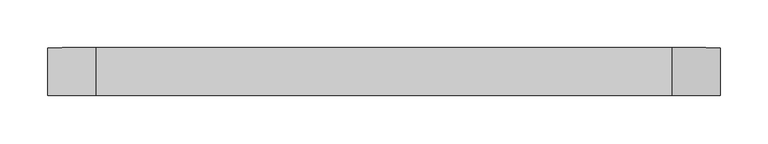
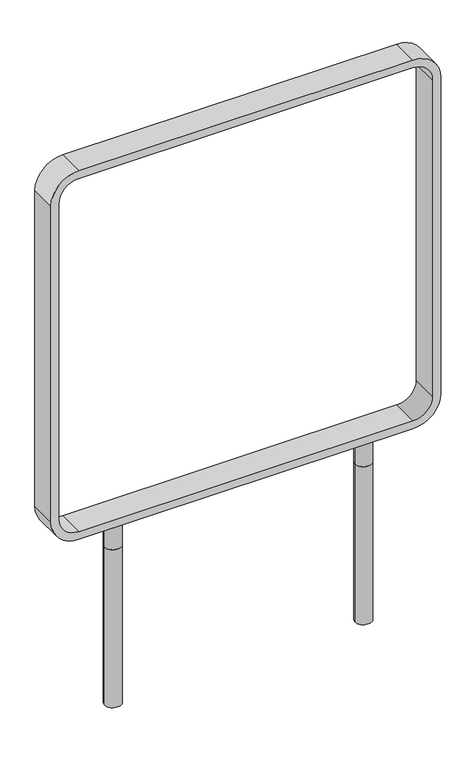
"""IFC4 building model written with IfcOpenShell, lengths in millimetres: furniture geometry."""

from ifc_helpers import new_model, si_unit, point, frame, frame_2d, origin, origin_with_axes, place, context, project, spatial, polyline, circle_curve, trimmed, segment, composite_curve, outline, extrude, source, transform, mapped, element, save


def furniture_32734ba0(model_context):
    return source(origin(), model_context, "Body", "SweptSolid", [
        extrude(outline(composite_curve([segment(trimmed(circle_curve(frame_2d((-224.9530049, -0.2871979)), 15.0), [point((-239.9530049, -0.2871979))], [point((-209.9530049, -0.2871979))], False, "CARTESIAN"), True, "CONTINUOUS"), segment(trimmed(circle_curve(frame_2d((-224.9530049, -0.2871979)), 15.0), [point((-209.9530049, -0.2871979))], [point((-239.9530049, -0.2871979))], False, "CARTESIAN"), True, "CONTINUOUS")], self_intersect=False)), origin_with_axes(), (0.0, 0.0, 1.0), 50.0),
        extrude(outline(composite_curve([segment(trimmed(circle_curve(frame_2d((224.9530049, -0.2871979)), 15.0), [point((239.9530049, -0.2871979))], [point((209.9530049, -0.2871979))], False, "CARTESIAN"), True, "CONTINUOUS"), segment(trimmed(circle_curve(frame_2d((224.9530049, -0.2871979)), 15.0), [point((209.9530049, -0.2871979))], [point((239.9530049, -0.2871979))], False, "CARTESIAN"), True, "CONTINUOUS")], self_intersect=False)), origin_with_axes(), (0.0, 0.0, 1.0), 50.0),
        extrude(outline(composite_curve([segment(trimmed(circle_curve(frame_2d((100.0094259, -300.0262979)), 50.0), [point((100.0094259, -350.0262979))], [point((50.0094259, -300.0262979))], False, "CARTESIAN"), True, "CONTINUOUS"), segment(polyline([(50.0094259, -300.0262979), (50.0094259, 300.0262979)]), True, "CONTINUOUS"), segment(trimmed(circle_curve(frame_2d((100.0094259, 300.0262979)), 50.0), [point((50.0094259, 300.0262979))], [point((100.0094259, 350.0262979))], False, "CARTESIAN"), True, "CONTINUOUS"), segment(polyline([(100.0094259, 350.0262979), (699.9624408, 350.0262979)]), True, "CONTINUOUS"), segment(trimmed(circle_curve(frame_2d((699.9624408, 300.0262979)), 50.0), [point((699.9624408, 350.0262979))], [point((749.9624408, 300.0262979))], False, "CARTESIAN"), True, "CONTINUOUS"), segment(polyline([(749.9624408, 300.0262979), (749.9624408, -300.0262979)]), True, "CONTINUOUS"), segment(trimmed(circle_curve(frame_2d((699.9624408, -300.0262979)), 50.0), [point((749.9624408, -300.0262979))], [point((699.9624408, -350.0262979))], False, "CARTESIAN"), True, "CONTINUOUS"), segment(polyline([(699.9624408, -350.0262979), (100.0094259, -350.0262979)]), True, "CONTINUOUS")], self_intersect=False), holes=[composite_curve([segment(polyline([(100.0094259, -335.0262979), (699.9624408, -335.0262979)]), True, "CONTINUOUS"), segment(trimmed(circle_curve(frame_2d((699.9624408, -300.0262979)), 35.0), [point((699.9624408, -335.0262979))], [point((734.9624408, -300.0262979))], True, "CARTESIAN"), True, "CONTINUOUS"), segment(polyline([(734.9624408, -300.0262979), (734.9624408, 300.0262979)]), True, "CONTINUOUS"), segment(trimmed(circle_curve(frame_2d((699.9624408, 300.0262979)), 35.0), [point((734.9624408, 300.0262979))], [point((699.9624408, 335.0262979))], True, "CARTESIAN"), True, "CONTINUOUS"), segment(polyline([(699.9624408, 335.0262979), (100.0094259, 335.0262979)]), True, "CONTINUOUS"), segment(trimmed(circle_curve(frame_2d((100.0094259, 300.0262979)), 35.0), [point((100.0094259, 335.0262979))], [point((65.0094259, 300.0262979))], True, "CARTESIAN"), True, "CONTINUOUS"), segment(polyline([(65.0094259, 300.0262979), (65.0094259, -300.0262979)]), True, "CONTINUOUS"), segment(trimmed(circle_curve(frame_2d((100.0094259, -300.0262979)), 35.0), [point((65.0094259, -300.0262979))], [point((100.0094259, -335.0262979))], True, "CARTESIAN"), True, "CONTINUOUS")], self_intersect=False)]), frame((0.0, -24.8314462, 0.0), z_axis=(0.0, 1.0, 0.0), x_axis=(0.0, 0.0, 1.0)), (0.0, 0.0, 1.0), 49.8314462),
        extrude(outline(composite_curve([segment(trimmed(circle_curve(frame_2d((-224.9530049, -0.2871979)), 15.0), [point((-239.9530049, -0.2871979))], [point((-209.9530049, -0.2871979))], False, "CARTESIAN"), True, "CONTINUOUS"), segment(trimmed(circle_curve(frame_2d((-224.9530049, -0.2871979)), 15.0), [point((-209.9530049, -0.2871979))], [point((-239.9530049, -0.2871979))], False, "CARTESIAN"), True, "CONTINUOUS")], self_intersect=False)), frame((0.0, 0.0, -300.0), z_axis=(0.0, 0.0, 1.0), x_axis=(1.0, 0.0, 0.0)), (0.0, 0.0, 1.0), 300.0),
        extrude(outline(composite_curve([segment(trimmed(circle_curve(frame_2d((224.9530049, -0.2871979)), 15.0), [point((239.9530049, -0.2871979))], [point((209.9530049, -0.2871979))], False, "CARTESIAN"), True, "CONTINUOUS"), segment(trimmed(circle_curve(frame_2d((224.9530049, -0.2871979)), 15.0), [point((209.9530049, -0.2871979))], [point((239.9530049, -0.2871979))], False, "CARTESIAN"), True, "CONTINUOUS")], self_intersect=False)), frame((0.0, 0.0, -300.0), z_axis=(0.0, 0.0, 1.0), x_axis=(1.0, 0.0, 0.0)), (0.0, 0.0, 1.0), 300.0),
    ])


if __name__ == "__main__":
    model = new_model("IFC4")
    model_context = context("Model", 3, world=origin())
    ifc_project = project(units=[si_unit("LENGTHUNIT", "METRE", prefix="MILLI")], contexts=[model_context])
    site = spatial("IfcSite", under=ifc_project)
    building = spatial("IfcBuilding", under=site)
    placement = place(None, origin())
    furniture_shape = furniture_32734ba0(model_context)
    element("IfcFurniture", 1, at=placement, inside=building, context=model_context, shape_type="MappedRepresentation", body=[
        mapped(furniture_shape, transform((0.0, 0.0, 0.0), x_axis=(1.0, 0.0, 0.0), y_axis=(0.0, 1.0, 0.0), z_axis=(0.0, 0.0, 1.0))),
    ])
    save(model, "model.ifc")
